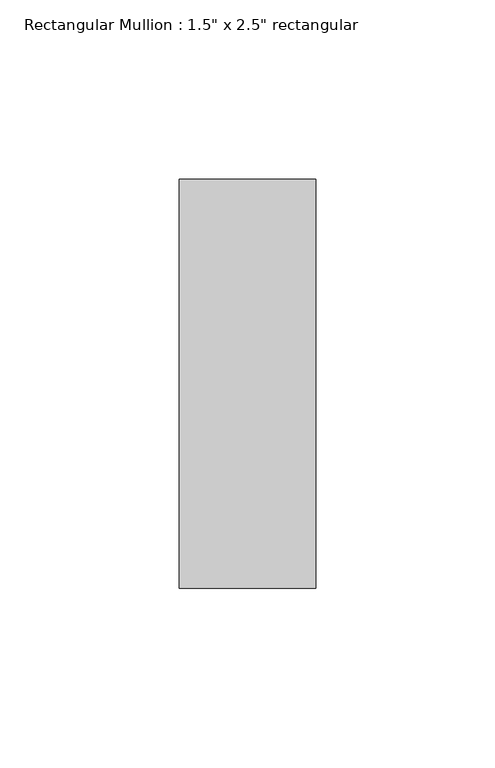
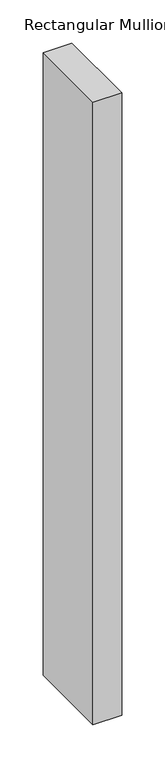
"""IFC4 building model written with IfcOpenShell, lengths in millimetres: member geometry."""

from ifc_helpers import new_model, si_unit, frame, origin, place, context, project, spatial, polyline, outline, extrude, source, transform, mapped, element, save


def member_4e0e18e9(model_context):
    return source(origin(), model_context, "Body", "SweptSolid", [
        extrude(outline(polyline([(19.05, 57.15), (19.05, -57.15), (-19.05, -57.15), (-19.05, 57.15), (19.05, 57.15)])), frame((0.0, 0.0, -876.3), z_axis=(0.0, 0.0, 1.0), x_axis=(1.0, 0.0, 0.0)), (0.0, 0.0, 1.0), 876.3),
    ])


if __name__ == "__main__":
    model = new_model("IFC4")
    model_context = context("Model", 3, world=origin())
    ifc_project = project(units=[si_unit("LENGTHUNIT", "METRE", prefix="MILLI")], contexts=[model_context])
    site = spatial("IfcSite", under=ifc_project)
    building = spatial("IfcBuilding", under=site)
    placement = place(None, origin())
    member_shape = member_4e0e18e9(model_context)
    element("IfcMember", 1, ObjectType="Rectangular Mullion : 1.5\" x 2.5\" rectangular", at=placement, inside=building, context=model_context, shape_type="MappedRepresentation", body=[
        mapped(member_shape, transform((0.0, 0.0, 0.0), x_axis=(1.0, 0.0, 0.0), y_axis=(0.0, 1.0, 0.0), z_axis=(0.0, 0.0, 1.0))),
    ])
    save(model, "model.ifc")
